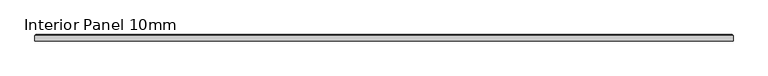
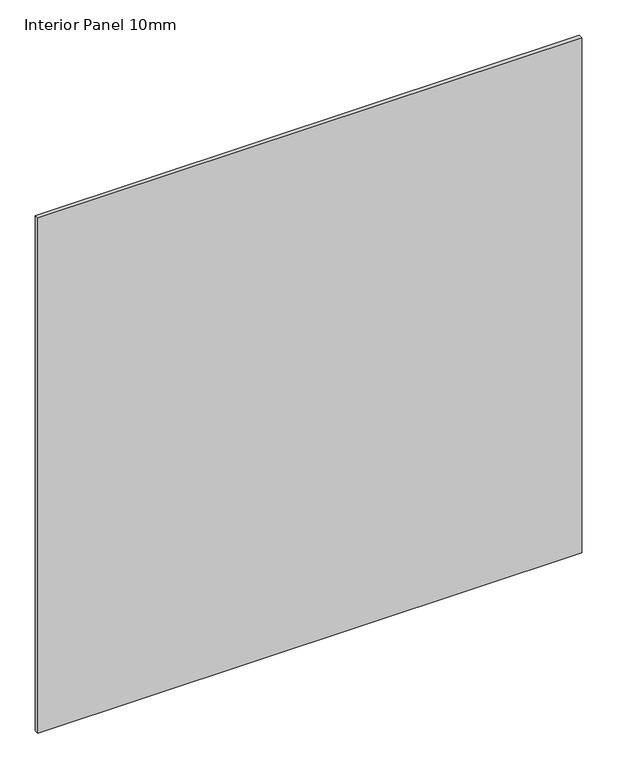
"""IFC4 building model written with IfcOpenShell, lengths in millimetres: proxy geometry, Interior Panel 10mm."""

from ifc_helpers import new_model, si_unit, origin, place, context, project, spatial, faceted_brep, source, transform, mapped, element, save


def interior_panel_10mm_8cb8651f(model_context):
    return source(origin(), model_context, "Body", "Brep", [
        faceted_brep([(1065.2125, -9.525, 1066.8), (1065.2125, -1.5875, 1066.8), (0.0, -1.5875, 1066.8), (0.0, -9.525, 1066.8), (1065.2125, -9.525, 0.0), (0.0, -9.525, 0.0), (0.0, -1.5875, 0.0), (1065.2125, -1.5875, 0.0), (1.5875, 0.0, 1065.2125), (1063.625, 0.0, 1065.2125), (1063.625, 0.0, 1.5875), (1.5875, 0.0, 1.5875)], [[[0, 1, 2, 3]], [[4, 5, 6, 7]], [[3, 5, 4, 0]], [[2, 6, 5, 3]], [[8, 9, 10, 11]], [[0, 4, 7, 1]], [[2, 8, 11, 6]], [[7, 10, 9, 1]], [[1, 9, 8, 2]], [[6, 11, 10, 7]]]),
    ])


if __name__ == "__main__":
    model = new_model("IFC4")
    model_context = context("Model", 3, world=origin())
    ifc_project = project(units=[si_unit("LENGTHUNIT", "METRE", prefix="MILLI")], contexts=[model_context])
    site = spatial("IfcSite", under=ifc_project)
    building = spatial("IfcBuilding", under=site)
    placement = place(None, origin())
    interior_panel_10mm_shape = interior_panel_10mm_8cb8651f(model_context)
    element("IfcBuildingElementProxy", 1, Name="Interior Panel 10mm", ObjectType="Interior Panel 10mm", at=placement, inside=building, context=model_context, shape_type="MappedRepresentation", body=[
        mapped(interior_panel_10mm_shape, transform((0.0, 0.0, 0.0), x_axis=(1.0, 0.0, 0.0), y_axis=(0.0, 1.0, 0.0), z_axis=(0.0, 0.0, 1.0))),
    ])
    save(model, "model.ifc")
